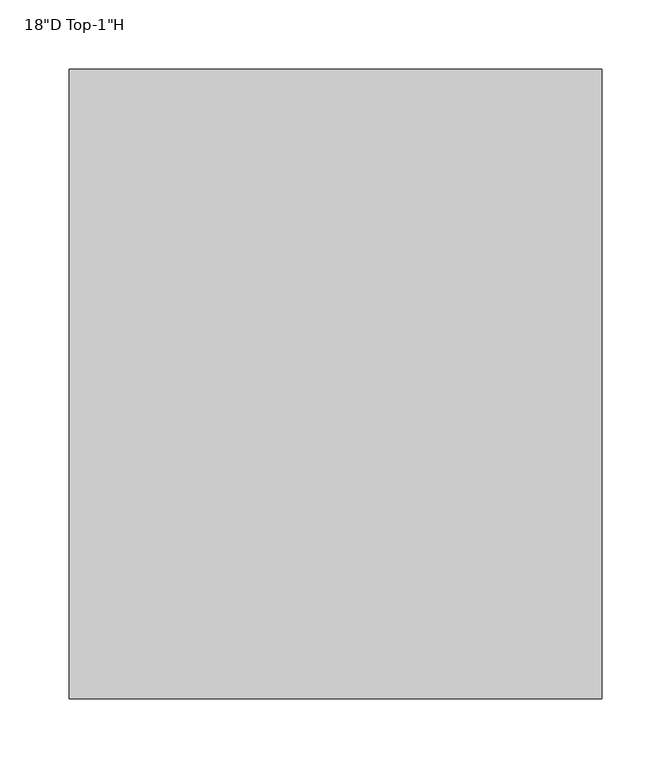
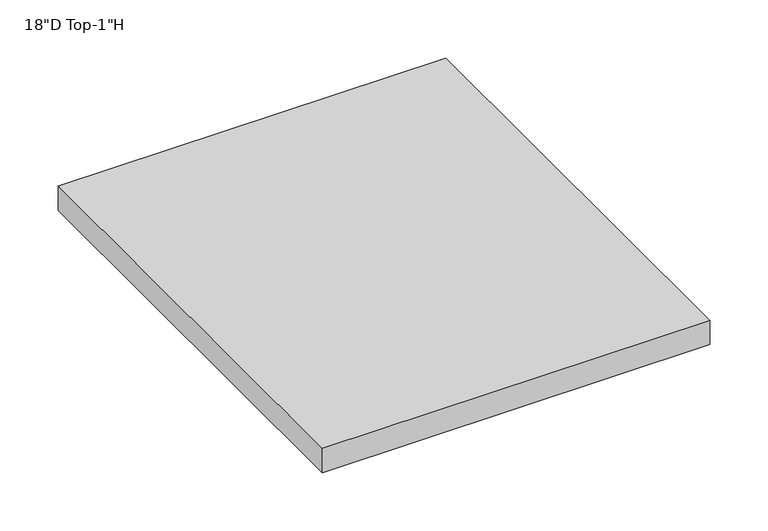
"""IFC4 building model written with IfcOpenShell, lengths in millimetres: furniture geometry."""

from ifc_helpers import new_model, si_unit, frame, origin, place, context, project, spatial, polyline, outline, extrude, source, transform, mapped, element, save


def furniture_4717b185(model_context):
    return source(origin(), model_context, "Body", "SweptSolid", [
        extrude(outline(polyline([(384.302, -541.5889285), (384.302, -995.6139285), (0.0, -995.6139285), (0.0, -541.5889285), (384.302, -541.5889285)])), frame((0.0, 0.0, 527.5326), z_axis=(0.0, 0.0, 1.0), x_axis=(1.0, 0.0, 0.0)), (0.0, 0.0, 1.0), 25.4),
    ])


if __name__ == "__main__":
    model = new_model("IFC4")
    model_context = context("Model", 3, world=origin())
    ifc_project = project(units=[si_unit("LENGTHUNIT", "METRE", prefix="MILLI")], contexts=[model_context])
    site = spatial("IfcSite", under=ifc_project)
    building = spatial("IfcBuilding", under=site)
    placement = place(None, origin())
    furniture_shape = furniture_4717b185(model_context)
    element("IfcFurniture", 1, ObjectType="18\"D Top-1\"H", at=placement, inside=building, context=model_context, shape_type="MappedRepresentation", body=[
        mapped(furniture_shape, transform((0.0, 0.0, 0.0), x_axis=(1.0, 0.0, 0.0), y_axis=(0.0, 1.0, 0.0), z_axis=(0.0, 0.0, 1.0))),
    ])
    save(model, "model.ifc")
